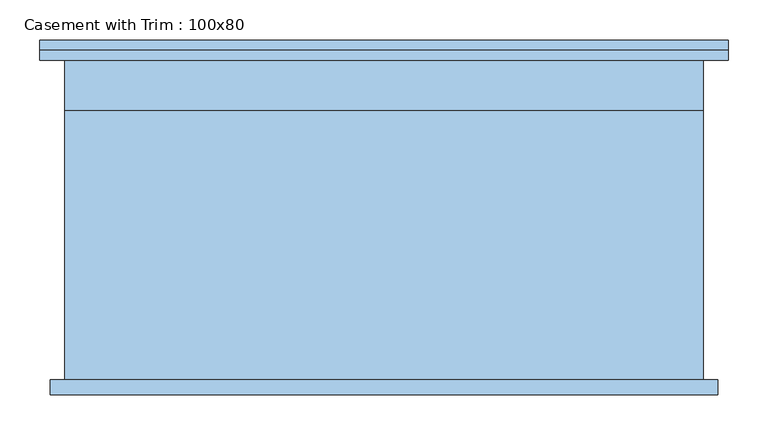
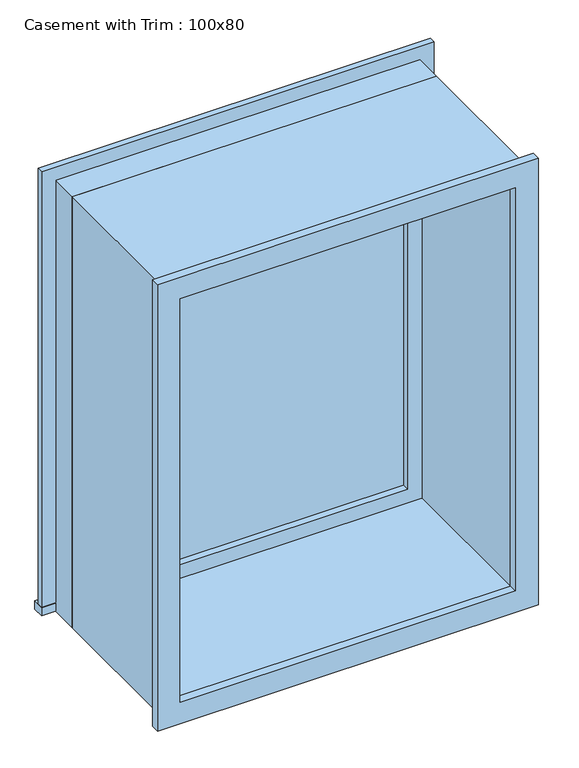
"""IFC4 building model written with IfcOpenShell, lengths in millimetres: window geometry, Casement with Trim : 100x80."""

from ifc_helpers import new_model, si_unit, frame, origin, place, context, project, spatial, polyline, outline, extrude, source, transform, mapped, element, save


def casement_with_trim_100x80_f4950e13(model_context):
    return source(origin(), model_context, "Body", "SweptSolid", [
        extrude(outline(polyline([(-430.95, 225.4), (430.95, 225.4), (430.95, 200.0), (-430.95, 200.0), (-430.95, 225.4)])), frame((0.0, 0.0, 914.4), z_axis=(0.0, 0.0, 1.0), x_axis=(1.0, 0.0, 0.0)), (0.0, 0.0, 1.0), 19.05),
        extrude(outline(polyline([(1895.35, -380.95), (1895.35, 380.95), (933.45, 380.95), (933.45, 430.95), (1945.35, 430.95), (1945.35, -430.95), (933.45, -430.95), (933.45, -380.95), (1895.35, -380.95)])), frame((0.0, 200.0, 0.0), z_axis=(0.0, 1.0, 0.0), x_axis=(0.0, 0.0, 1.0)), (0.0, 0.0, 1.0), 12.7),
        extrude(outline(polyline([(1932.65, 418.25), (1932.65, -418.25), (896.15, -418.25), (896.15, 418.25), (1932.65, 418.25)]), holes=[polyline([(1882.65, 368.25), (946.15, 368.25), (946.15, -368.25), (1882.65, -368.25), (1882.65, 368.25)])]), frame((0.0, -219.05, 0.0), z_axis=(0.0, 1.0, 0.0), x_axis=(0.0, 0.0, 1.0)), (0.0, 0.0, 1.0), 19.05),
        extrude(outline(polyline([(336.5, 152.375), (-336.5, 152.375), (-336.5, 165.075), (336.5, 165.075), (336.5, 152.375)])), frame((0.0, 0.0, 977.9), z_axis=(0.0, 0.0, 1.0), x_axis=(1.0, 0.0, 0.0)), (0.0, 0.0, 1.0), 873.0),
        extrude(outline(polyline([(1895.35, -380.95), (933.45, -380.95), (933.45, 380.95), (1895.35, 380.95), (1895.35, -380.95)]), holes=[polyline([(1850.9, -336.5), (1850.9, 336.5), (977.9, 336.5), (977.9, -336.5), (1850.9, -336.5)])]), frame((0.0, 136.5, 0.0), z_axis=(0.0, 1.0, 0.0), x_axis=(0.0, 0.0, 1.0)), (0.0, 0.0, 1.0), 44.45),
        extrude(outline(polyline([(1914.4, -400.0), (914.4, -400.0), (914.4, 400.0), (1914.4, 400.0), (1914.4, -400.0)]), holes=[polyline([(1882.65, -368.25), (1882.65, 368.25), (946.15, 368.25), (946.15, -368.25), (1882.65, -368.25)])]), frame((0.0, -200.0, 0.0), z_axis=(0.0, 1.0, 0.0), x_axis=(0.0, 0.0, 1.0)), (0.0, 0.0, 1.0), 336.5),
        extrude(outline(polyline([(1914.4, 400.0), (1914.4, -400.0), (914.4, -400.0), (914.4, 400.0), (1914.4, 400.0)]), holes=[polyline([(1895.35, 380.95), (933.45, 380.95), (933.45, -380.95), (1895.35, -380.95), (1895.35, 380.95)])]), frame((0.0, 136.5, 0.0), z_axis=(0.0, 1.0, 0.0), x_axis=(0.0, 0.0, 1.0)), (0.0, 0.0, 1.0), 63.5),
    ])


if __name__ == "__main__":
    model = new_model("IFC4")
    model_context = context("Model", 3, world=origin())
    ifc_project = project(units=[si_unit("LENGTHUNIT", "METRE", prefix="MILLI")], contexts=[model_context])
    site = spatial("IfcSite", under=ifc_project)
    building = spatial("IfcBuilding", under=site)
    placement = place(None, origin())
    casement_with_trim_100x80_shape = casement_with_trim_100x80_f4950e13(model_context)
    element("IfcWindow", 1, ObjectType="Casement with Trim : 100x80", at=placement, inside=building, context=model_context, shape_type="MappedRepresentation", body=[
        mapped(casement_with_trim_100x80_shape, transform((0.0, 0.0, 0.0), x_axis=(1.0, 0.0, 0.0), y_axis=(0.0, 1.0, 0.0), z_axis=(0.0, 0.0, 1.0))),
    ])
    save(model, "model.ifc")
